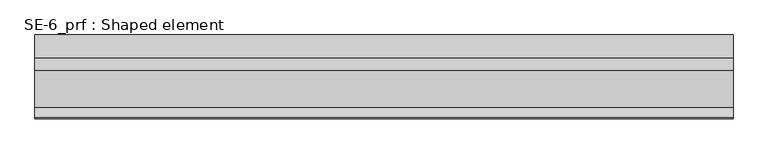
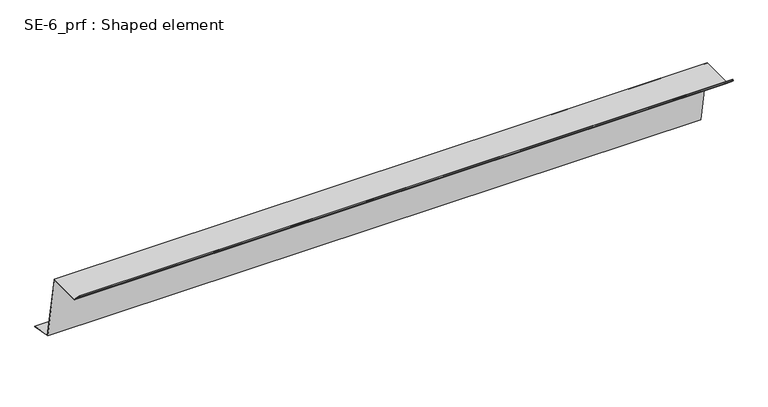
"""IFC4 building model written with IfcOpenShell, lengths in millimetres: proxy geometry, SE-6_prf : Shaped element."""

import ifcopenshell
import ifcopenshell.guid

model = None  # the IFC model being written
_history = None  # IfcOwnerHistory: only IFC2X3 demands one
_inside = {}  # id of a spatial element -> (the spatial element, [elements in it])
_under = {}  # id of a project, library or spatial element -> (it, [spatial elements below it])
_declared = {}  # id of a project -> (the project, [libraries it declares])
_typed = {}  # id of a type object -> (the type object, [elements of that type])
_made_of = {}  # id of a material, layer set ... -> (it, [elements and type objects made of it])


def new_model(schema):
    """Start an empty IFC model of exactly this schema.

    Asked for "IFC4X3", IfcOpenShell would pick the latest addendum, in which some entities
    have other attributes; the version numbers below select the first issue.
    IFC2X3 requires an IfcOwnerHistory on every rooted entity: one is made here for all.
    """
    global model, _history
    if schema == "IFC4X3":
        model = ifcopenshell.file(schema_version=(4, 3, 0, 0))
    else:
        model = ifcopenshell.file(schema=schema)
    _inside.clear()
    _under.clear()
    _declared.clear()
    _typed.clear()
    _made_of.clear()
    _history = None
    if model.schema == "IFC2X3":
        org = make("IfcOrganization", Name="unknown")
        user = make(
            "IfcPersonAndOrganization",
            ThePerson=make("IfcPerson", FamilyName="unknown"),
            TheOrganization=org,
        )
        app = make(
            "IfcApplication",
            ApplicationDeveloper=org,
            Version="unknown",
            ApplicationFullName="unknown",
            ApplicationIdentifier="unknown",
        )
        _history = make(
            "IfcOwnerHistory",
            OwningUser=user,
            OwningApplication=app,
            ChangeAction="ADDED",
            CreationDate=0,
        )
    return model


def make(cls, **values):
    """One entity of the class cls with the attributes given. An attribute that is None is left unset."""
    return model.create_entity(
        cls, **{name: value for name, value in values.items() if value is not None}
    )


def rooted(cls, **values):
    """An entity with a GlobalId (a new one), such as an element, a storey or a relation."""
    return make(cls, GlobalId=ifcopenshell.guid.new(), OwnerHistory=_history, **values)


def si_unit(unit_type, name, prefix=None):
    """IfcSIUnit, for example si_unit("LENGTHUNIT", "METRE", prefix="MILLI")."""
    return make("IfcSIUnit", UnitType=unit_type, Prefix=prefix, Name=name)


def assignment(units):
    """IfcUnitAssignment: the units of a project."""
    return None if units is None else make("IfcUnitAssignment", Units=units)


def point(xyz):
    """IfcCartesianPoint."""
    return None if xyz is None else make("IfcCartesianPoint", Coordinates=xyz)


def direction(xyz):
    """IfcDirection."""
    return None if xyz is None else make("IfcDirection", DirectionRatios=xyz)


def frame(location, z_axis=None, x_axis=None):
    """IfcAxis2Placement3D, a coordinate frame: its origin and axes. An axis left out is left unset."""
    return make(
        "IfcAxis2Placement3D",
        Location=point(location),
        Axis=direction(z_axis),
        RefDirection=direction(x_axis),
    )


def origin():
    """The frame at (0, 0, 0) with its axes left unset."""
    return frame((0.0, 0.0, 0.0))


def place(relative_to, where):
    """IfcLocalPlacement: puts the frame where relative to a parent placement (None: the world)."""
    return make(
        "IfcLocalPlacement", PlacementRelTo=relative_to, RelativePlacement=where
    )


def context(
    kind, dimensions, precision=None, world=None, true_north=None, identifier=None
):
    """IfcGeometricRepresentationContext, for example the 3D "Model" context."""
    return make(
        "IfcGeometricRepresentationContext",
        ContextIdentifier=identifier,
        ContextType=kind,
        CoordinateSpaceDimension=dimensions,
        Precision=precision,
        WorldCoordinateSystem=world,
        TrueNorth=true_north,
    )


def project(units=None, contexts=None):
    """IfcProject with its units and contexts."""
    return rooted(
        "IfcProject",
        Name="project",
        RepresentationContexts=contexts,
        UnitsInContext=assignment(units),
    )


def spatial(cls, under=None, at=None, **own):
    """A site, building, storey or space (cls), placed at a placement, below another one or the project."""
    s = rooted(cls, ObjectPlacement=at, **own)
    if under is not None:
        _under.setdefault(under.id(), (under, []))[1].append(s)
    return s


def faces_of(points, faces, orient=None, outer=None):
    """IfcFace entities. A face is a list of loops; a loop is a list of indices into points, from 0.

    orient and outer hold one flag for each loop. By default every Orientation is true, the
    first loop of a face is its IfcFaceOuterBound and the others are IfcFaceBound.
    """
    made = []
    for i, loops in enumerate(faces):
        bounds = []
        for j, loop in enumerate(loops):
            is_outer = j == 0 if outer is None else outer[i][j]
            bounds.append(
                make(
                    "IfcFaceOuterBound" if is_outer else "IfcFaceBound",
                    Bound=make("IfcPolyLoop", Polygon=[points[k] for k in loop]),
                    Orientation=True if orient is None else orient[i][j],
                )
            )
        made.append(make("IfcFace", Bounds=bounds))
    return made


def faceted_brep(points, faces, orient=None, outer=None, voids=None):
    """IfcFacetedBrep: a solid bounded by flat faces; with voids (closed shells), ...WithVoids."""
    shared = [point(p) for p in points]
    hull = make("IfcClosedShell", CfsFaces=faces_of(shared, faces, orient, outer))
    if voids is None:
        return make("IfcFacetedBrep", Outer=hull)
    return make(
        "IfcFacetedBrepWithVoids",
        Outer=hull,
        Voids=[
            make(cls, CfsFaces=faces_of(shared, fs, o, b)) for cls, fs, o, b in voids
        ],
    )


def shape(context_of_items, identifier, shape_type, items):
    """IfcShapeRepresentation: the items that make up one representation, for example the "Body"."""
    return make(
        "IfcShapeRepresentation",
        ContextOfItems=context_of_items,
        RepresentationIdentifier=identifier,
        RepresentationType=shape_type,
        Items=items,
    )


def source(mapping_origin, context_of_items, identifier, shape_type, items):
    """IfcRepresentationMap: a shape defined once, which mapped items show again and again."""
    return make(
        "IfcRepresentationMap",
        MappingOrigin=mapping_origin,
        MappedRepresentation=shape(context_of_items, identifier, shape_type, items),
    )


def transform(
    local_origin,
    x_axis=None,
    y_axis=None,
    z_axis=None,
    scale=None,
    scale2=None,
    scale3=None,
    uniform=True,
):
    """IfcCartesianTransformationOperator3D, or its non-uniform kind. x_axis, y_axis, z_axis: its Axis1, 2, 3."""
    if uniform:
        return make(
            "IfcCartesianTransformationOperator3D",
            Axis1=direction(x_axis),
            Axis2=direction(y_axis),
            LocalOrigin=point(local_origin),
            Scale=scale,
            Axis3=direction(z_axis),
        )
    return make(
        "IfcCartesianTransformationOperator3DnonUniform",
        Axis1=direction(x_axis),
        Axis2=direction(y_axis),
        LocalOrigin=point(local_origin),
        Scale=scale,
        Axis3=direction(z_axis),
        Scale2=scale2,
        Scale3=scale3,
    )


def mapped(mapping_source, mapping_target):
    """IfcMappedItem: shows the shape of a source again, moved by a transform."""
    return make(
        "IfcMappedItem", MappingSource=mapping_source, MappingTarget=mapping_target
    )


def made_of(thing, what):
    """Note that an element or type object is made of a material, layer set ...; save() writes the relation."""
    if what is not None:
        _made_of.setdefault(what.id(), (what, []))[1].append(thing)
    return thing


def element(
    cls,
    number,
    at=None,
    inside=None,
    cuts=None,
    type_object=None,
    material=None,
    context=None,
    identifier="Body",
    shape_type=None,
    held_by="IfcProductDefinitionShape",
    body=None,
    shapes=None,
    **own,
):
    """One element of the class cls, such as IfcWall. Its Tag is "e" and its number.

    at: its placement. inside: the storey or other place that contains it. cuts: it is an
    opening in that element (IfcRelVoidsElement). A single representation is given by context,
    identifier, shape_type and body (its items); several are given by shapes. held_by: the class
    of the entity that holds the representations. save() writes the other relations.
    """
    e = rooted(cls, Tag="e%d" % number, ObjectPlacement=at, **own)
    if body is not None:
        shapes = [shape(context, identifier, shape_type, body)]
    if shapes is not None:
        e.Representation = make(held_by, Representations=shapes)
    if inside is not None:
        _inside.setdefault(inside.id(), (inside, []))[1].append(e)
    if cuts is not None:
        rooted(
            "IfcRelVoidsElement", RelatingBuildingElement=cuts, RelatedOpeningElement=e
        )
    if type_object is not None:
        _typed.setdefault(type_object.id(), (type_object, []))[1].append(e)
    return made_of(e, material)


def aggregate(whole, parts):
    """IfcRelAggregates: a whole, such as a stair, and the parts it consists of."""
    return rooted("IfcRelAggregates", RelatingObject=whole, RelatedObjects=parts)


def save(model, path):
    """Write the relations noted so far, then the file.

    IfcRelAggregates (storeys below a building ...), IfcRelContainedInSpatialStructure (elements
    in a storey), IfcRelDefinesByType, IfcRelAssociatesMaterial and IfcRelDeclares: one each for
    every whole, place, type object, material and project.
    """
    for whole, parts in _under.values():
        aggregate(whole, parts)
    for where, things in _inside.values():
        rooted(
            "IfcRelContainedInSpatialStructure",
            RelatedElements=things,
            RelatingStructure=where,
        )
    for kind, things in _typed.values():
        rooted("IfcRelDefinesByType", RelatedObjects=things, RelatingType=kind)
    for what, things in _made_of.values():
        rooted("IfcRelAssociatesMaterial", RelatedObjects=things, RelatingMaterial=what)
    for by, libraries in _declared.values():
        rooted("IfcRelDeclares", RelatingContext=by, RelatedDefinitions=libraries)
    model.write(path)


def se_6_prf_shaped_element_e8b4805c(model_context):
    return source(origin(), model_context, "Body", "Brep", [
        faceted_brep([(0.0, 76.978028, -159.8317756), (0.0, 76.978028, -158.816349), (1500.0, 76.978028, -158.816349), (1500.0, 76.978028, -159.8317756), (0.0, 26.1148101, -150.863218), (1500.0, 26.1148101, -150.863218), (0.0, -0.8390996, 2.0), (0.0, -0.4864457, 0.0), (1500.0, -0.4864457, 0.0), (1500.0, -0.8390996, 2.0), (0.0, -80.4142136, 2.0), (1500.0, -80.4142136, 2.0), (0.0, -101.2132034, 22.7989899), (1500.0, -101.2132034, 22.7989899), (0.0, -101.9203102, 22.0918831), (1500.0, -101.9203102, 22.0918831), (0.0, -95.5563492, 15.7279221), (1500.0, -95.5563492, 15.7279221), (0.0, -96.263456, 15.0208153), (1500.0, -96.263456, 15.0208153), (0.0, -103.3345238, 22.0918831), (1500.0, -103.3345238, 22.0918831), (0.0, -101.2132034, 24.2132034), (1500.0, -101.2132034, 24.2132034), (0.0, -80.0, 3.0), (1500.0, -80.0, 3.0), (0.0, 0.0, 3.0), (1500.0, 0.0, 3.0), (0.0, 0.5289809, 0.0), (1500.0, 0.5289809, 0.0), (1500.0, 26.978028, -150.0), (0.0, 26.978028, -150.0)], [[[0, 1, 2, 3]], [[4, 0, 3, 5]], [[6, 7, 4, 5, 8, 9]], [[10, 6, 9, 11]], [[12, 10, 11, 13]], [[14, 12, 13, 15]], [[16, 14, 15, 17]], [[18, 16, 17, 19]], [[20, 18, 19, 21]], [[22, 20, 21, 23]], [[24, 22, 23, 25]], [[26, 24, 25, 27]], [[28, 26, 27, 29, 30, 31]], [[1, 31, 30, 2]], [[28, 7, 6, 10, 12, 14, 16, 18, 20, 22, 24, 26]], [[7, 28, 31, 1, 0, 4]], [[8, 29, 27, 25, 23, 21, 19, 17, 15, 13, 11, 9]], [[29, 8, 5, 3, 2, 30]]]),
    ])


if __name__ == "__main__":
    model = new_model("IFC4")
    model_context = context("Model", 3, world=origin())
    ifc_project = project(units=[si_unit("LENGTHUNIT", "METRE", prefix="MILLI")], contexts=[model_context])
    site = spatial("IfcSite", under=ifc_project)
    building = spatial("IfcBuilding", under=site)
    placement = place(None, origin())
    se_6_prf_shaped_element_shape = se_6_prf_shaped_element_e8b4805c(model_context)
    element("IfcBuildingElementProxy", 1, Name="SE-6_prf : Shaped element", ObjectType="SE-6_prf : Shaped element", at=placement, inside=building, context=model_context, shape_type="MappedRepresentation", body=[
        mapped(se_6_prf_shaped_element_shape, transform((0.0, 0.0, 0.0), x_axis=(1.0, 0.0, 0.0), y_axis=(0.0, 1.0, 0.0), z_axis=(0.0, 0.0, 1.0))),
    ])
    save(model, "model.ifc")
